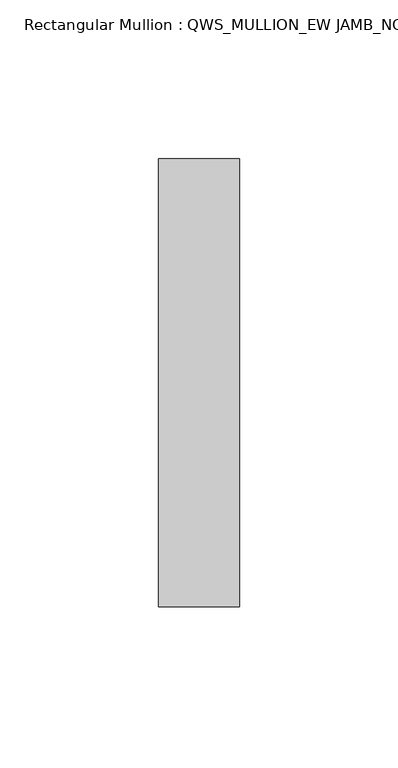
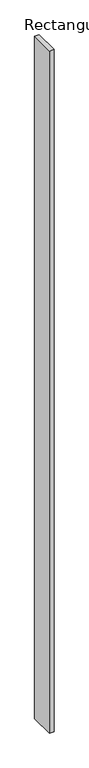
"""IFC4 building model written with IfcOpenShell, lengths in millimetres: member geometry, Rectangular Mullion : QWS_MULLION_EW JAMB_NON SEISMIC_SIDE 1."""

from ifc_helpers import new_model, si_unit, frame, origin, place, context, project, spatial, polyline, outline, extrude, source, transform, mapped, element, save


def rectangular_mullion_qws_mullion_ew_jamb_non_seismic_side_1_6b3b1e47(model_context):
    return source(origin(), model_context, "Body", "SweptSolid", [
        extrude(outline(polyline([(-25.3999466, -88.9), (-25.3999466, 52.0998485), (0.0, 52.0998485), (0.0, -88.9), (-25.3999466, -88.9)])), frame((0.0, 0.0, -4000.0), z_axis=(0.0, 0.0, 1.0), x_axis=(1.0, 0.0, 0.0)), (0.0, 0.0, 1.0), 4000.0),
    ])


if __name__ == "__main__":
    model = new_model("IFC4")
    model_context = context("Model", 3, world=origin())
    ifc_project = project(units=[si_unit("LENGTHUNIT", "METRE", prefix="MILLI")], contexts=[model_context])
    site = spatial("IfcSite", under=ifc_project)
    building = spatial("IfcBuilding", under=site)
    placement = place(None, origin())
    rectangular_mullion_qws_mullion_ew_jamb_non_seismic_side_1_shape = rectangular_mullion_qws_mullion_ew_jamb_non_seismic_side_1_6b3b1e47(model_context)
    element("IfcMember", 1, ObjectType="Rectangular Mullion : QWS_MULLION_EW JAMB_NON SEISMIC_SIDE 1", at=placement, inside=building, context=model_context, shape_type="MappedRepresentation", body=[
        mapped(rectangular_mullion_qws_mullion_ew_jamb_non_seismic_side_1_shape, transform((0.0, 0.0, 0.0), x_axis=(1.0, 0.0, 0.0), y_axis=(0.0, 1.0, 0.0), z_axis=(0.0, 0.0, 1.0))),
    ])
    save(model, "model.ifc")
